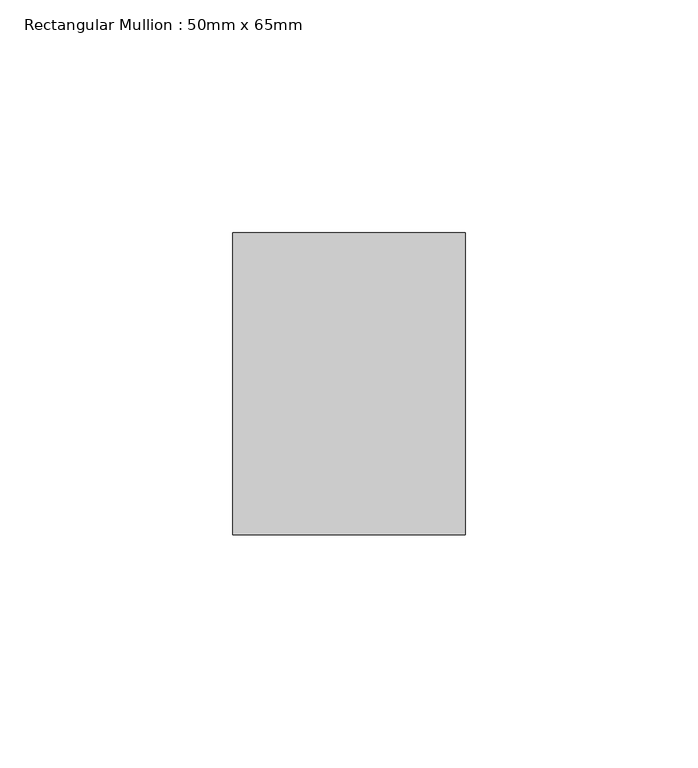
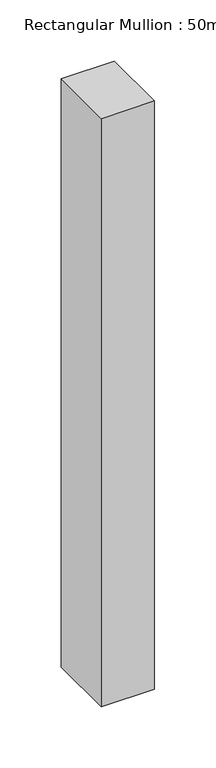
"""IFC4 building model written with IfcOpenShell, lengths in millimetres: member geometry, Rectangular Mullion : 50mm x 65mm."""

import ifcopenshell
import ifcopenshell.guid

model = None  # the IFC model being written
_history = None  # IfcOwnerHistory: only IFC2X3 demands one
_inside = {}  # id of a spatial element -> (the spatial element, [elements in it])
_under = {}  # id of a project, library or spatial element -> (it, [spatial elements below it])
_declared = {}  # id of a project -> (the project, [libraries it declares])
_typed = {}  # id of a type object -> (the type object, [elements of that type])
_made_of = {}  # id of a material, layer set ... -> (it, [elements and type objects made of it])


def new_model(schema):
    """Start an empty IFC model of exactly this schema.

    Asked for "IFC4X3", IfcOpenShell would pick the latest addendum, in which some entities
    have other attributes; the version numbers below select the first issue.
    IFC2X3 requires an IfcOwnerHistory on every rooted entity: one is made here for all.
    """
    global model, _history
    if schema == "IFC4X3":
        model = ifcopenshell.file(schema_version=(4, 3, 0, 0))
    else:
        model = ifcopenshell.file(schema=schema)
    _inside.clear()
    _under.clear()
    _declared.clear()
    _typed.clear()
    _made_of.clear()
    _history = None
    if model.schema == "IFC2X3":
        org = make("IfcOrganization", Name="unknown")
        user = make(
            "IfcPersonAndOrganization",
            ThePerson=make("IfcPerson", FamilyName="unknown"),
            TheOrganization=org,
        )
        app = make(
            "IfcApplication",
            ApplicationDeveloper=org,
            Version="unknown",
            ApplicationFullName="unknown",
            ApplicationIdentifier="unknown",
        )
        _history = make(
            "IfcOwnerHistory",
            OwningUser=user,
            OwningApplication=app,
            ChangeAction="ADDED",
            CreationDate=0,
        )
    return model


def make(cls, **values):
    """One entity of the class cls with the attributes given. An attribute that is None is left unset."""
    return model.create_entity(
        cls, **{name: value for name, value in values.items() if value is not None}
    )


def rooted(cls, **values):
    """An entity with a GlobalId (a new one), such as an element, a storey or a relation."""
    return make(cls, GlobalId=ifcopenshell.guid.new(), OwnerHistory=_history, **values)


def si_unit(unit_type, name, prefix=None):
    """IfcSIUnit, for example si_unit("LENGTHUNIT", "METRE", prefix="MILLI")."""
    return make("IfcSIUnit", UnitType=unit_type, Prefix=prefix, Name=name)


def assignment(units):
    """IfcUnitAssignment: the units of a project."""
    return None if units is None else make("IfcUnitAssignment", Units=units)


def point(xyz):
    """IfcCartesianPoint."""
    return None if xyz is None else make("IfcCartesianPoint", Coordinates=xyz)


def direction(xyz):
    """IfcDirection."""
    return None if xyz is None else make("IfcDirection", DirectionRatios=xyz)


def frame(location, z_axis=None, x_axis=None):
    """IfcAxis2Placement3D, a coordinate frame: its origin and axes. An axis left out is left unset."""
    return make(
        "IfcAxis2Placement3D",
        Location=point(location),
        Axis=direction(z_axis),
        RefDirection=direction(x_axis),
    )


def origin():
    """The frame at (0, 0, 0) with its axes left unset."""
    return frame((0.0, 0.0, 0.0))


def place(relative_to, where):
    """IfcLocalPlacement: puts the frame where relative to a parent placement (None: the world)."""
    return make(
        "IfcLocalPlacement", PlacementRelTo=relative_to, RelativePlacement=where
    )


def context(
    kind, dimensions, precision=None, world=None, true_north=None, identifier=None
):
    """IfcGeometricRepresentationContext, for example the 3D "Model" context."""
    return make(
        "IfcGeometricRepresentationContext",
        ContextIdentifier=identifier,
        ContextType=kind,
        CoordinateSpaceDimension=dimensions,
        Precision=precision,
        WorldCoordinateSystem=world,
        TrueNorth=true_north,
    )


def project(units=None, contexts=None):
    """IfcProject with its units and contexts."""
    return rooted(
        "IfcProject",
        Name="project",
        RepresentationContexts=contexts,
        UnitsInContext=assignment(units),
    )


def spatial(cls, under=None, at=None, **own):
    """A site, building, storey or space (cls), placed at a placement, below another one or the project."""
    s = rooted(cls, ObjectPlacement=at, **own)
    if under is not None:
        _under.setdefault(under.id(), (under, []))[1].append(s)
    return s


def polyline(points):
    """IfcPolyline through the points."""
    return make("IfcPolyline", Points=[point(p) for p in points])


def outline(outer, holes=None, kind="AREA"):
    """IfcArbitraryClosedProfileDef: a profile drawn as a closed curve; with holes, ...WithVoids."""
    if holes is None:
        return make("IfcArbitraryClosedProfileDef", ProfileType=kind, OuterCurve=outer)
    return make(
        "IfcArbitraryProfileDefWithVoids",
        ProfileType=kind,
        OuterCurve=outer,
        InnerCurves=holes,
    )


def extrude(swept, where, along, depth):
    """IfcExtrudedAreaSolid: the profile swept, set in the frame where, extruded along a direction by depth."""
    return make(
        "IfcExtrudedAreaSolid",
        SweptArea=swept,
        Position=where,
        ExtrudedDirection=direction(along),
        Depth=depth,
    )


def shape(context_of_items, identifier, shape_type, items):
    """IfcShapeRepresentation: the items that make up one representation, for example the "Body"."""
    return make(
        "IfcShapeRepresentation",
        ContextOfItems=context_of_items,
        RepresentationIdentifier=identifier,
        RepresentationType=shape_type,
        Items=items,
    )


def source(mapping_origin, context_of_items, identifier, shape_type, items):
    """IfcRepresentationMap: a shape defined once, which mapped items show again and again."""
    return make(
        "IfcRepresentationMap",
        MappingOrigin=mapping_origin,
        MappedRepresentation=shape(context_of_items, identifier, shape_type, items),
    )


def transform(
    local_origin,
    x_axis=None,
    y_axis=None,
    z_axis=None,
    scale=None,
    scale2=None,
    scale3=None,
    uniform=True,
):
    """IfcCartesianTransformationOperator3D, or its non-uniform kind. x_axis, y_axis, z_axis: its Axis1, 2, 3."""
    if uniform:
        return make(
            "IfcCartesianTransformationOperator3D",
            Axis1=direction(x_axis),
            Axis2=direction(y_axis),
            LocalOrigin=point(local_origin),
            Scale=scale,
            Axis3=direction(z_axis),
        )
    return make(
        "IfcCartesianTransformationOperator3DnonUniform",
        Axis1=direction(x_axis),
        Axis2=direction(y_axis),
        LocalOrigin=point(local_origin),
        Scale=scale,
        Axis3=direction(z_axis),
        Scale2=scale2,
        Scale3=scale3,
    )


def mapped(mapping_source, mapping_target):
    """IfcMappedItem: shows the shape of a source again, moved by a transform."""
    return make(
        "IfcMappedItem", MappingSource=mapping_source, MappingTarget=mapping_target
    )


def made_of(thing, what):
    """Note that an element or type object is made of a material, layer set ...; save() writes the relation."""
    if what is not None:
        _made_of.setdefault(what.id(), (what, []))[1].append(thing)
    return thing


def element(
    cls,
    number,
    at=None,
    inside=None,
    cuts=None,
    type_object=None,
    material=None,
    context=None,
    identifier="Body",
    shape_type=None,
    held_by="IfcProductDefinitionShape",
    body=None,
    shapes=None,
    **own,
):
    """One element of the class cls, such as IfcWall. Its Tag is "e" and its number.

    at: its placement. inside: the storey or other place that contains it. cuts: it is an
    opening in that element (IfcRelVoidsElement). A single representation is given by context,
    identifier, shape_type and body (its items); several are given by shapes. held_by: the class
    of the entity that holds the representations. save() writes the other relations.
    """
    e = rooted(cls, Tag="e%d" % number, ObjectPlacement=at, **own)
    if body is not None:
        shapes = [shape(context, identifier, shape_type, body)]
    if shapes is not None:
        e.Representation = make(held_by, Representations=shapes)
    if inside is not None:
        _inside.setdefault(inside.id(), (inside, []))[1].append(e)
    if cuts is not None:
        rooted(
            "IfcRelVoidsElement", RelatingBuildingElement=cuts, RelatedOpeningElement=e
        )
    if type_object is not None:
        _typed.setdefault(type_object.id(), (type_object, []))[1].append(e)
    return made_of(e, material)


def aggregate(whole, parts):
    """IfcRelAggregates: a whole, such as a stair, and the parts it consists of."""
    return rooted("IfcRelAggregates", RelatingObject=whole, RelatedObjects=parts)


def save(model, path):
    """Write the relations noted so far, then the file.

    IfcRelAggregates (storeys below a building ...), IfcRelContainedInSpatialStructure (elements
    in a storey), IfcRelDefinesByType, IfcRelAssociatesMaterial and IfcRelDeclares: one each for
    every whole, place, type object, material and project.
    """
    for whole, parts in _under.values():
        aggregate(whole, parts)
    for where, things in _inside.values():
        rooted(
            "IfcRelContainedInSpatialStructure",
            RelatedElements=things,
            RelatingStructure=where,
        )
    for kind, things in _typed.values():
        rooted("IfcRelDefinesByType", RelatedObjects=things, RelatingType=kind)
    for what, things in _made_of.values():
        rooted("IfcRelAssociatesMaterial", RelatedObjects=things, RelatingMaterial=what)
    for by, libraries in _declared.values():
        rooted("IfcRelDeclares", RelatingContext=by, RelatedDefinitions=libraries)
    model.write(path)


def rectangular_mullion_50mm_x_65mm_e5de15dc(model_context):
    return source(origin(), model_context, "Body", "SweptSolid", [
        extrude(outline(polyline([(25.0, 32.5), (25.0, -32.5), (-25.0, -32.5), (-25.0, 32.5), (25.0, 32.5)])), frame((0.0, 0.0, -585.2035835), z_axis=(0.0, 0.0, 1.0), x_axis=(1.0, 0.0, 0.0)), (0.0, 0.0, 1.0), 585.2035835),
    ])


if __name__ == "__main__":
    model = new_model("IFC4")
    model_context = context("Model", 3, world=origin())
    ifc_project = project(units=[si_unit("LENGTHUNIT", "METRE", prefix="MILLI")], contexts=[model_context])
    site = spatial("IfcSite", under=ifc_project)
    building = spatial("IfcBuilding", under=site)
    placement = place(None, origin())
    rectangular_mullion_50mm_x_65mm_shape = rectangular_mullion_50mm_x_65mm_e5de15dc(model_context)
    element("IfcMember", 1, ObjectType="Rectangular Mullion : 50mm x 65mm", at=placement, inside=building, context=model_context, shape_type="MappedRepresentation", body=[
        mapped(rectangular_mullion_50mm_x_65mm_shape, transform((0.0, 0.0, 0.0), x_axis=(1.0, 0.0, 0.0), y_axis=(0.0, 1.0, 0.0), z_axis=(0.0, 0.0, 1.0))),
    ])
    save(model, "model.ifc")
